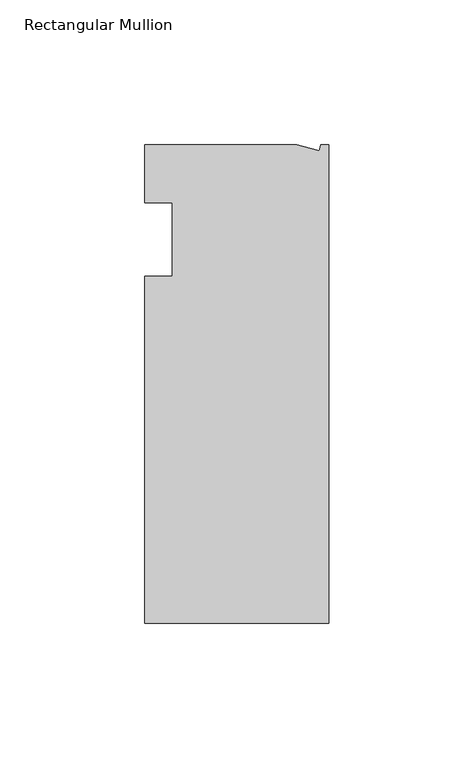
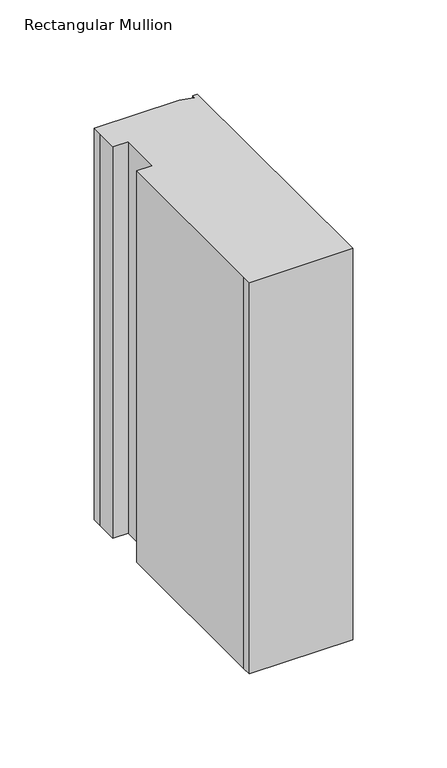
"""IFC4 building model written with IfcOpenShell, lengths in millimetres: member geometry, Rectangular Mullion."""

from ifc_helpers import new_model, si_unit, frame, origin, place, context, project, spatial, polyline, outline, extrude, source, transform, mapped, element, save


def rectangular_mullion_a34bad1e(model_context):
    return source(origin(), model_context, "Body", "SweptSolid", [
        extrude(outline(polyline([(0.0, -132.5561012), (-63.5, -132.5561012), (-63.5, -126.2061012), (-63.5, -12.8054199), (-53.975, -12.8054199), (-53.975, 12.5945801), (-63.5, 12.5945801), (-63.5, 26.1938988), (-63.5, 32.5438988), (-11.121847, 32.5438988), (-3.3341886, 30.4622958), (-2.7616541, 32.5438988), (0.0, 32.5438988), (0.0, -132.5561012)])), frame((0.0, 0.0, -254.0), z_axis=(0.0, 0.0, 1.0), x_axis=(1.0, 0.0, 0.0)), (0.0, 0.0, 1.0), 254.0),
    ])


if __name__ == "__main__":
    model = new_model("IFC4")
    model_context = context("Model", 3, world=origin())
    ifc_project = project(units=[si_unit("LENGTHUNIT", "METRE", prefix="MILLI")], contexts=[model_context])
    site = spatial("IfcSite", under=ifc_project)
    building = spatial("IfcBuilding", under=site)
    placement = place(None, origin())
    rectangular_mullion_shape = rectangular_mullion_a34bad1e(model_context)
    element("IfcMember", 1, ObjectType="Rectangular Mullion", at=placement, inside=building, context=model_context, shape_type="MappedRepresentation", body=[
        mapped(rectangular_mullion_shape, transform((0.0, 0.0, 0.0), x_axis=(1.0, 0.0, 0.0), y_axis=(0.0, 1.0, 0.0), z_axis=(0.0, 0.0, 1.0))),
    ])
    save(model, "model.ifc")
